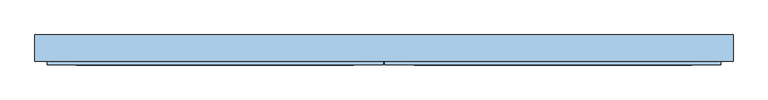
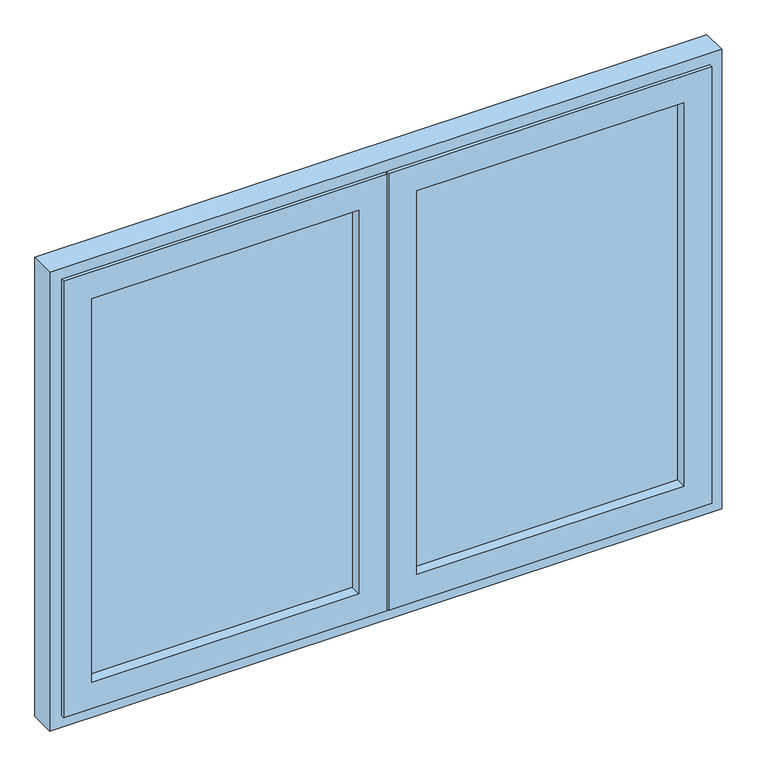
"""IFC4 building model written with IfcOpenShell, lengths in millimetres: window geometry."""

from ifc_helpers import new_model, si_unit, frame, origin, place, context, project, spatial, polyline, outline, extrude, faceted_brep, source, transform, mapped, element, save


def window_47157f62(model_context):
    return source(origin(), model_context, "Body", "SolidModel", [
        extrude(outline(polyline([(793.0, -10.0), (77.5, -10.0), (77.5, 26.0), (793.0, 26.0), (793.0, -10.0)])), frame((0.0, 0.0, 1007.0), z_axis=(0.0, 0.0, 1.0), x_axis=(1.0, 0.0, 0.0)), (0.0, 0.0, 1.0), 1086.0),
        extrude(outline(polyline([(-77.5, -10.0), (-793.0, -10.0), (-793.0, 26.0), (-77.5, 26.0), (-77.5, -10.0)])), frame((0.0, 0.0, 1007.0), z_axis=(0.0, 0.0, 1.0), x_axis=(1.0, 0.0, 0.0)), (0.0, 0.0, 1.0), 1086.0),
        faceted_brep([(868.0, -29.2, 2168.0), (868.0, -38.7, 2168.0), (868.0, -38.7, 932.0), (868.0, -29.2, 932.0), (2.5, -38.7, 2168.0), (2.5, -38.7, 932.0), (793.0, -38.7, 1007.0), (77.5, -38.7, 1007.0), (77.5, -38.7, 2093.0), (793.0, -38.7, 2093.0), (2.5, -29.2, 932.0), (2.5, -29.2, 2168.0), (843.0, -29.2, 2143.0), (27.5, -29.2, 2143.0), (27.5, -29.2, 957.0), (843.0, -29.2, 957.0), (843.0, 33.8, 2143.0), (843.0, 33.8, 957.0), (27.5, 33.8, 957.0), (27.5, 33.8, 2143.0), (836.0, 33.8, 2136.0), (34.5, 33.8, 2136.0), (34.5, 33.8, 964.0), (836.0, 33.8, 964.0), (836.0, 38.8, 2136.0), (836.0, 38.8, 964.0), (34.5, 38.8, 964.0), (34.5, 38.8, 2136.0), (793.0, 38.8, 2093.0), (77.5, 38.8, 2093.0), (77.5, 38.8, 1007.0), (793.0, 38.8, 1007.0)], [[[0, 1, 2, 3]], [[1, 4, 5, 2], [6, 7, 8, 9]], [[3, 2, 5, 10]], [[3, 10, 11, 0], [12, 13, 14, 15]], [[16, 12, 15, 17]], [[17, 15, 14, 18]], [[17, 18, 19, 16], [20, 21, 22, 23]], [[24, 20, 23, 25]], [[25, 23, 22, 26]], [[25, 26, 27, 24], [28, 29, 30, 31]], [[9, 28, 31, 6]], [[6, 31, 30, 7]], [[10, 5, 4, 11]], [[18, 14, 13, 19]], [[26, 22, 21, 27]], [[7, 30, 29, 8]], [[11, 4, 1, 0]], [[19, 13, 12, 16]], [[27, 21, 20, 24]], [[8, 29, 28, 9]]]),
        extrude(outline(polyline([(29.5, 38.8), (29.5, 33.8), (27.5, 33.8), (27.5, -4.2), (8.5, -4.2), (8.5, -29.2), (-4.5, -29.2), (-4.5, 33.8), (-29.5, 33.8), (-29.5, 38.8), (29.5, 38.8)])), frame((0.0, 0.0, 959.0), z_axis=(0.0, 0.0, 1.0), x_axis=(1.0, 0.0, 0.0)), (0.0, 0.0, 1.0), 1182.0),
        faceted_brep([(-2.5, -29.2, 2168.0), (-2.5, -38.7, 2168.0), (-2.5, -38.7, 932.0), (-2.5, -29.2, 932.0), (-868.0, -38.7, 2168.0), (-868.0, -38.7, 932.0), (-77.5, -38.7, 1007.0), (-793.0, -38.7, 1007.0), (-793.0, -38.7, 2093.0), (-77.5, -38.7, 2093.0), (-868.0, -29.2, 932.0), (-868.0, -29.2, 2168.0), (-27.5, -29.2, 2143.0), (-843.0, -29.2, 2143.0), (-843.0, -29.2, 957.0), (-27.5, -29.2, 957.0), (-27.5, 33.8, 2143.0), (-27.5, 33.8, 957.0), (-843.0, 33.8, 957.0), (-843.0, 33.8, 2143.0), (-34.5, 33.8, 2136.0), (-836.0, 33.8, 2136.0), (-836.0, 33.8, 964.0), (-34.5, 33.8, 964.0), (-34.5, 38.8, 2136.0), (-34.5, 38.8, 964.0), (-836.0, 38.8, 964.0), (-836.0, 38.8, 2136.0), (-77.5, 38.8, 2093.0), (-793.0, 38.8, 2093.0), (-793.0, 38.8, 1007.0), (-77.5, 38.8, 1007.0)], [[[0, 1, 2, 3]], [[1, 4, 5, 2], [6, 7, 8, 9]], [[3, 2, 5, 10]], [[3, 10, 11, 0], [12, 13, 14, 15]], [[16, 12, 15, 17]], [[17, 15, 14, 18]], [[17, 18, 19, 16], [20, 21, 22, 23]], [[24, 20, 23, 25]], [[25, 23, 22, 26]], [[25, 26, 27, 24], [28, 29, 30, 31]], [[9, 28, 31, 6]], [[6, 31, 30, 7]], [[10, 5, 4, 11]], [[18, 14, 13, 19]], [[26, 22, 21, 27]], [[7, 30, 29, 8]], [[11, 4, 1, 0]], [[19, 13, 12, 16]], [[27, 21, 20, 24]], [[8, 29, 28, 9]]]),
        faceted_brep([(-900.0, -29.2, 900.0), (-900.0, 38.8, 900.0), (900.0, 38.8, 900.0), (900.0, -29.2, 900.0), (900.0, 38.8, 2200.0), (900.0, -29.2, 2200.0), (-900.0, 38.8, 2200.0), (841.0, 38.8, 2141.0), (-841.0, 38.8, 2141.0), (-841.0, 38.8, 959.0), (841.0, 38.8, 959.0), (-900.0, -29.2, 2200.0), (863.0, -29.2, 937.0), (-863.0, -29.2, 937.0), (-863.0, -29.2, 2163.0), (863.0, -29.2, 2163.0), (-863.0, 33.8, 937.0), (863.0, 33.8, 937.0), (863.0, 33.8, 2163.0), (-863.0, 33.8, 2163.0), (841.0, 33.8, 959.0), (-841.0, 33.8, 959.0), (-841.0, 33.8, 2141.0), (841.0, 33.8, 2141.0)], [[[0, 1, 2, 3]], [[3, 2, 4, 5]], [[2, 1, 6, 4], [7, 8, 9, 10]], [[5, 11, 0, 3], [12, 13, 14, 15]], [[16, 13, 12, 17]], [[17, 12, 15, 18]], [[18, 19, 16, 17], [20, 21, 22, 23]], [[9, 21, 20, 10]], [[10, 20, 23, 7]], [[11, 6, 1, 0]], [[19, 14, 13, 16]], [[8, 22, 21, 9]], [[5, 4, 6, 11]], [[18, 15, 14, 19]], [[7, 23, 22, 8]]]),
    ])


if __name__ == "__main__":
    model = new_model("IFC4")
    model_context = context("Model", 3, world=origin())
    ifc_project = project(units=[si_unit("LENGTHUNIT", "METRE", prefix="MILLI")], contexts=[model_context])
    site = spatial("IfcSite", under=ifc_project)
    building = spatial("IfcBuilding", under=site)
    placement = place(None, origin())
    window_shape = window_47157f62(model_context)
    element("IfcWindow", 1, at=placement, inside=building, context=model_context, shape_type="MappedRepresentation", body=[
        mapped(window_shape, transform((0.0, 0.0, 0.0), x_axis=(1.0, 0.0, 0.0), y_axis=(0.0, 1.0, 0.0), z_axis=(0.0, 0.0, 1.0))),
    ])
    save(model, "model.ifc")
